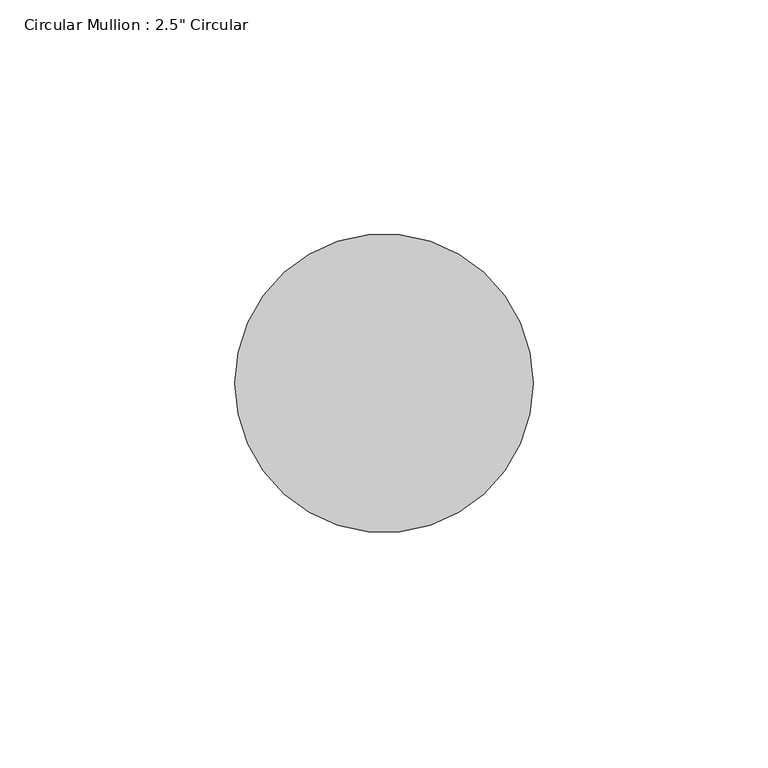
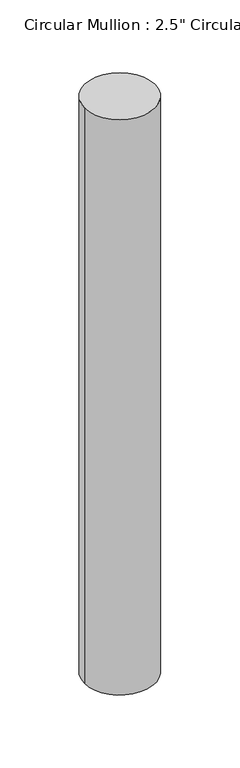
"""IFC4 building model written with IfcOpenShell, lengths in millimetres: member geometry."""

from ifc_helpers import new_model, si_unit, point, frame, origin, origin_2d, place, context, project, spatial, circle_curve, trimmed, segment, composite_curve, outline, extrude, source, transform, mapped, element, save


def member_2d91b90e(model_context):
    return source(origin(), model_context, "Body", "SweptSolid", [
        extrude(outline(composite_curve([segment(trimmed(circle_curve(origin_2d(), 31.75), [point((31.75, 0.0))], [point((-31.75, 0.0))], False, "CARTESIAN"), True, "CONTINUOUS"), segment(trimmed(circle_curve(origin_2d(), 31.75), [point((-31.75, 0.0))], [point((31.75, 0.0))], False, "CARTESIAN"), True, "CONTINUOUS")], self_intersect=False)), frame((0.0, 0.0, -546.1), z_axis=(0.0, 0.0, 1.0), x_axis=(1.0, 0.0, 0.0)), (0.0, 0.0, 1.0), 546.1),
    ])


if __name__ == "__main__":
    model = new_model("IFC4")
    model_context = context("Model", 3, world=origin())
    ifc_project = project(units=[si_unit("LENGTHUNIT", "METRE", prefix="MILLI")], contexts=[model_context])
    site = spatial("IfcSite", under=ifc_project)
    building = spatial("IfcBuilding", under=site)
    placement = place(None, origin())
    member_shape = member_2d91b90e(model_context)
    element("IfcMember", 1, ObjectType="Circular Mullion : 2.5\" Circular", at=placement, inside=building, context=model_context, shape_type="MappedRepresentation", body=[
        mapped(member_shape, transform((0.0, 0.0, 0.0), x_axis=(1.0, 0.0, 0.0), y_axis=(0.0, 1.0, 0.0), z_axis=(0.0, 0.0, 1.0))),
    ])
    save(model, "model.ifc")
